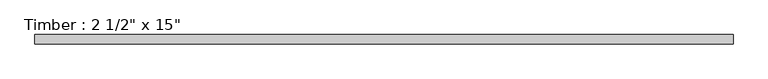
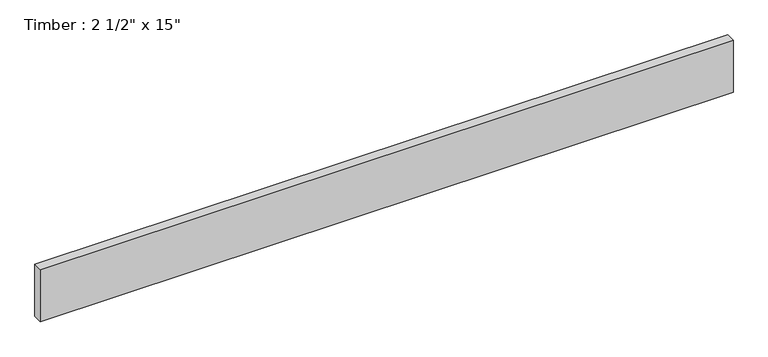
"""IFC4 building model written with IfcOpenShell, lengths in millimetres: beam geometry."""

import ifcopenshell
import ifcopenshell.guid

model = None  # the IFC model being written
_history = None  # IfcOwnerHistory: only IFC2X3 demands one
_inside = {}  # id of a spatial element -> (the spatial element, [elements in it])
_under = {}  # id of a project, library or spatial element -> (it, [spatial elements below it])
_declared = {}  # id of a project -> (the project, [libraries it declares])
_typed = {}  # id of a type object -> (the type object, [elements of that type])
_made_of = {}  # id of a material, layer set ... -> (it, [elements and type objects made of it])


def new_model(schema):
    """Start an empty IFC model of exactly this schema.

    Asked for "IFC4X3", IfcOpenShell would pick the latest addendum, in which some entities
    have other attributes; the version numbers below select the first issue.
    IFC2X3 requires an IfcOwnerHistory on every rooted entity: one is made here for all.
    """
    global model, _history
    if schema == "IFC4X3":
        model = ifcopenshell.file(schema_version=(4, 3, 0, 0))
    else:
        model = ifcopenshell.file(schema=schema)
    _inside.clear()
    _under.clear()
    _declared.clear()
    _typed.clear()
    _made_of.clear()
    _history = None
    if model.schema == "IFC2X3":
        org = make("IfcOrganization", Name="unknown")
        user = make(
            "IfcPersonAndOrganization",
            ThePerson=make("IfcPerson", FamilyName="unknown"),
            TheOrganization=org,
        )
        app = make(
            "IfcApplication",
            ApplicationDeveloper=org,
            Version="unknown",
            ApplicationFullName="unknown",
            ApplicationIdentifier="unknown",
        )
        _history = make(
            "IfcOwnerHistory",
            OwningUser=user,
            OwningApplication=app,
            ChangeAction="ADDED",
            CreationDate=0,
        )
    return model


def make(cls, **values):
    """One entity of the class cls with the attributes given. An attribute that is None is left unset."""
    return model.create_entity(
        cls, **{name: value for name, value in values.items() if value is not None}
    )


def rooted(cls, **values):
    """An entity with a GlobalId (a new one), such as an element, a storey or a relation."""
    return make(cls, GlobalId=ifcopenshell.guid.new(), OwnerHistory=_history, **values)


def si_unit(unit_type, name, prefix=None):
    """IfcSIUnit, for example si_unit("LENGTHUNIT", "METRE", prefix="MILLI")."""
    return make("IfcSIUnit", UnitType=unit_type, Prefix=prefix, Name=name)


def assignment(units):
    """IfcUnitAssignment: the units of a project."""
    return None if units is None else make("IfcUnitAssignment", Units=units)


def point(xyz):
    """IfcCartesianPoint."""
    return None if xyz is None else make("IfcCartesianPoint", Coordinates=xyz)


def direction(xyz):
    """IfcDirection."""
    return None if xyz is None else make("IfcDirection", DirectionRatios=xyz)


def frame(location, z_axis=None, x_axis=None):
    """IfcAxis2Placement3D, a coordinate frame: its origin and axes. An axis left out is left unset."""
    return make(
        "IfcAxis2Placement3D",
        Location=point(location),
        Axis=direction(z_axis),
        RefDirection=direction(x_axis),
    )


def origin():
    """The frame at (0, 0, 0) with its axes left unset."""
    return frame((0.0, 0.0, 0.0))


def place(relative_to, where):
    """IfcLocalPlacement: puts the frame where relative to a parent placement (None: the world)."""
    return make(
        "IfcLocalPlacement", PlacementRelTo=relative_to, RelativePlacement=where
    )


def context(
    kind, dimensions, precision=None, world=None, true_north=None, identifier=None
):
    """IfcGeometricRepresentationContext, for example the 3D "Model" context."""
    return make(
        "IfcGeometricRepresentationContext",
        ContextIdentifier=identifier,
        ContextType=kind,
        CoordinateSpaceDimension=dimensions,
        Precision=precision,
        WorldCoordinateSystem=world,
        TrueNorth=true_north,
    )


def project(units=None, contexts=None):
    """IfcProject with its units and contexts."""
    return rooted(
        "IfcProject",
        Name="project",
        RepresentationContexts=contexts,
        UnitsInContext=assignment(units),
    )


def spatial(cls, under=None, at=None, **own):
    """A site, building, storey or space (cls), placed at a placement, below another one or the project."""
    s = rooted(cls, ObjectPlacement=at, **own)
    if under is not None:
        _under.setdefault(under.id(), (under, []))[1].append(s)
    return s


def polyline(points):
    """IfcPolyline through the points."""
    return make("IfcPolyline", Points=[point(p) for p in points])


def outline(outer, holes=None, kind="AREA"):
    """IfcArbitraryClosedProfileDef: a profile drawn as a closed curve; with holes, ...WithVoids."""
    if holes is None:
        return make("IfcArbitraryClosedProfileDef", ProfileType=kind, OuterCurve=outer)
    return make(
        "IfcArbitraryProfileDefWithVoids",
        ProfileType=kind,
        OuterCurve=outer,
        InnerCurves=holes,
    )


def extrude(swept, where, along, depth):
    """IfcExtrudedAreaSolid: the profile swept, set in the frame where, extruded along a direction by depth."""
    return make(
        "IfcExtrudedAreaSolid",
        SweptArea=swept,
        Position=where,
        ExtrudedDirection=direction(along),
        Depth=depth,
    )


def shape(context_of_items, identifier, shape_type, items):
    """IfcShapeRepresentation: the items that make up one representation, for example the "Body"."""
    return make(
        "IfcShapeRepresentation",
        ContextOfItems=context_of_items,
        RepresentationIdentifier=identifier,
        RepresentationType=shape_type,
        Items=items,
    )


def source(mapping_origin, context_of_items, identifier, shape_type, items):
    """IfcRepresentationMap: a shape defined once, which mapped items show again and again."""
    return make(
        "IfcRepresentationMap",
        MappingOrigin=mapping_origin,
        MappedRepresentation=shape(context_of_items, identifier, shape_type, items),
    )


def transform(
    local_origin,
    x_axis=None,
    y_axis=None,
    z_axis=None,
    scale=None,
    scale2=None,
    scale3=None,
    uniform=True,
):
    """IfcCartesianTransformationOperator3D, or its non-uniform kind. x_axis, y_axis, z_axis: its Axis1, 2, 3."""
    if uniform:
        return make(
            "IfcCartesianTransformationOperator3D",
            Axis1=direction(x_axis),
            Axis2=direction(y_axis),
            LocalOrigin=point(local_origin),
            Scale=scale,
            Axis3=direction(z_axis),
        )
    return make(
        "IfcCartesianTransformationOperator3DnonUniform",
        Axis1=direction(x_axis),
        Axis2=direction(y_axis),
        LocalOrigin=point(local_origin),
        Scale=scale,
        Axis3=direction(z_axis),
        Scale2=scale2,
        Scale3=scale3,
    )


def mapped(mapping_source, mapping_target):
    """IfcMappedItem: shows the shape of a source again, moved by a transform."""
    return make(
        "IfcMappedItem", MappingSource=mapping_source, MappingTarget=mapping_target
    )


def made_of(thing, what):
    """Note that an element or type object is made of a material, layer set ...; save() writes the relation."""
    if what is not None:
        _made_of.setdefault(what.id(), (what, []))[1].append(thing)
    return thing


def element(
    cls,
    number,
    at=None,
    inside=None,
    cuts=None,
    type_object=None,
    material=None,
    context=None,
    identifier="Body",
    shape_type=None,
    held_by="IfcProductDefinitionShape",
    body=None,
    shapes=None,
    **own,
):
    """One element of the class cls, such as IfcWall. Its Tag is "e" and its number.

    at: its placement. inside: the storey or other place that contains it. cuts: it is an
    opening in that element (IfcRelVoidsElement). A single representation is given by context,
    identifier, shape_type and body (its items); several are given by shapes. held_by: the class
    of the entity that holds the representations. save() writes the other relations.
    """
    e = rooted(cls, Tag="e%d" % number, ObjectPlacement=at, **own)
    if body is not None:
        shapes = [shape(context, identifier, shape_type, body)]
    if shapes is not None:
        e.Representation = make(held_by, Representations=shapes)
    if inside is not None:
        _inside.setdefault(inside.id(), (inside, []))[1].append(e)
    if cuts is not None:
        rooted(
            "IfcRelVoidsElement", RelatingBuildingElement=cuts, RelatedOpeningElement=e
        )
    if type_object is not None:
        _typed.setdefault(type_object.id(), (type_object, []))[1].append(e)
    return made_of(e, material)


def aggregate(whole, parts):
    """IfcRelAggregates: a whole, such as a stair, and the parts it consists of."""
    return rooted("IfcRelAggregates", RelatingObject=whole, RelatedObjects=parts)


def save(model, path):
    """Write the relations noted so far, then the file.

    IfcRelAggregates (storeys below a building ...), IfcRelContainedInSpatialStructure (elements
    in a storey), IfcRelDefinesByType, IfcRelAssociatesMaterial and IfcRelDeclares: one each for
    every whole, place, type object, material and project.
    """
    for whole, parts in _under.values():
        aggregate(whole, parts)
    for where, things in _inside.values():
        rooted(
            "IfcRelContainedInSpatialStructure",
            RelatedElements=things,
            RelatingStructure=where,
        )
    for kind, things in _typed.values():
        rooted("IfcRelDefinesByType", RelatedObjects=things, RelatingType=kind)
    for what, things in _made_of.values():
        rooted("IfcRelAssociatesMaterial", RelatedObjects=things, RelatingMaterial=what)
    for by, libraries in _declared.values():
        rooted("IfcRelDeclares", RelatingContext=by, RelatedDefinitions=libraries)
    model.write(path)


def beam_0baead0c(model_context):
    return source(origin(), model_context, "Body", "SweptSolid", [
        extrude(outline(polyline([(2399.4642247, 31.75), (2399.4642247, -31.75), (-2399.4642247, -31.75), (-2399.4642247, 31.75), (2399.4642247, 31.75)])), frame((0.0, 0.0, -190.5), z_axis=(0.0, 0.0, 1.0), x_axis=(1.0, 0.0, 0.0)), (0.0, 0.0, 1.0), 381.0),
    ])


if __name__ == "__main__":
    model = new_model("IFC4")
    model_context = context("Model", 3, world=origin())
    ifc_project = project(units=[si_unit("LENGTHUNIT", "METRE", prefix="MILLI")], contexts=[model_context])
    site = spatial("IfcSite", under=ifc_project)
    building = spatial("IfcBuilding", under=site)
    placement = place(None, origin())
    beam_shape = beam_0baead0c(model_context)
    element("IfcBeam", 1, ObjectType="Timber : 2 1/2\" x 15\"", at=placement, inside=building, context=model_context, shape_type="MappedRepresentation", body=[
        mapped(beam_shape, transform((0.0, 0.0, 0.0), x_axis=(1.0, 0.0, 0.0), y_axis=(0.0, 1.0, 0.0), z_axis=(0.0, 0.0, 1.0))),
    ])
    save(model, "model.ifc")
